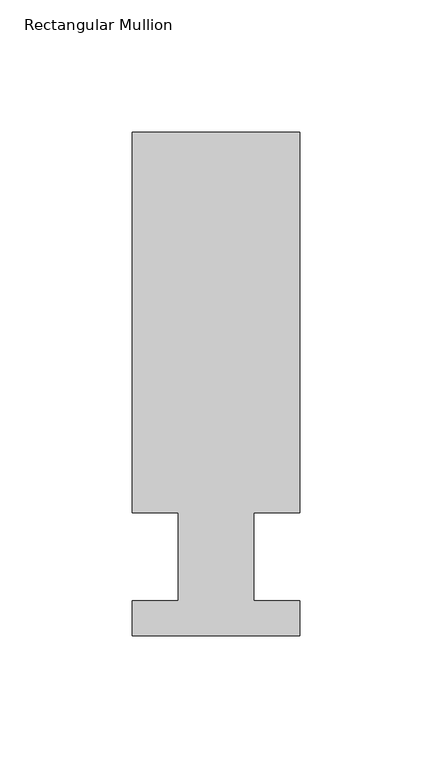
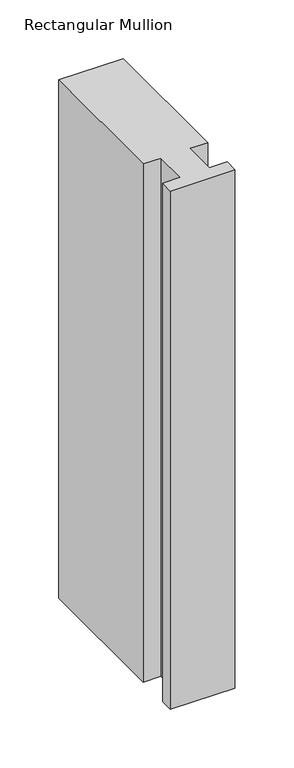
"""IFC4 building model written with IfcOpenShell, lengths in millimetres: member geometry, Rectangular Mullion."""

from ifc_helpers import new_model, si_unit, frame, origin, place, context, project, spatial, polyline, outline, extrude, source, transform, mapped, element, save


def rectangular_mullion_d8982324(model_context):
    return source(origin(), model_context, "Body", "SweptSolid", [
        extrude(outline(polyline([(-63.5000004, 190.7881316), (-4e-07, 190.7881316), (-4e-07, 46.7447316), (-17.4625004, 46.7447316), (-17.4625004, 13.3945316), (0.0, 13.3945316), (0.0, 0.2119316), (-63.5, 0.2119316), (-63.5, 13.3945316), (-46.0248005, 13.3945316), (-46.0248005, 46.7447316), (-63.5000004, 46.7447316), (-63.5000004, 190.7881316)])), frame((0.0, 0.0, -539.5523048), z_axis=(0.0, 0.0, 1.0), x_axis=(1.0, 0.0, 0.0)), (0.0, 0.0, 1.0), 539.5523048),
    ])


if __name__ == "__main__":
    model = new_model("IFC4")
    model_context = context("Model", 3, world=origin())
    ifc_project = project(units=[si_unit("LENGTHUNIT", "METRE", prefix="MILLI")], contexts=[model_context])
    site = spatial("IfcSite", under=ifc_project)
    building = spatial("IfcBuilding", under=site)
    placement = place(None, origin())
    rectangular_mullion_shape = rectangular_mullion_d8982324(model_context)
    element("IfcMember", 1, ObjectType="Rectangular Mullion", at=placement, inside=building, context=model_context, shape_type="MappedRepresentation", body=[
        mapped(rectangular_mullion_shape, transform((0.0, 0.0, 0.0), x_axis=(1.0, 0.0, 0.0), y_axis=(0.0, 1.0, 0.0), z_axis=(0.0, 0.0, 1.0))),
    ])
    save(model, "model.ifc")
